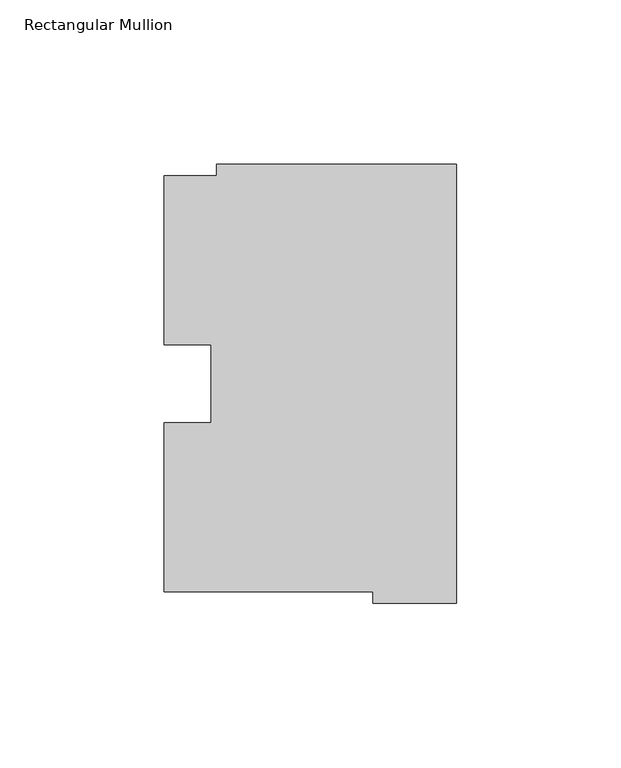
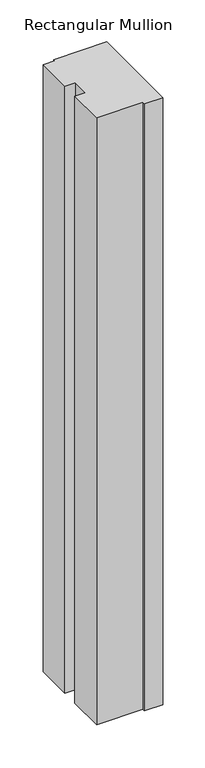
"""IFC4 building model written with IfcOpenShell, lengths in millimetres: member geometry, Rectangular Mullion."""

from ifc_helpers import new_model, si_unit, frame, origin, place, context, project, spatial, polyline, outline, extrude, source, transform, mapped, element, save


def rectangular_mullion_707a2bda(model_context):
    return source(origin(), model_context, "Body", "SweptSolid", [
        extrude(outline(polyline([(-88.8822228, 126.75235), (-72.9776553, 126.75235), (-72.9776553, 130.1706837), (0.0, 130.1706837), (0.0, -3.193538), (-25.3822228, -3.193538), (-25.3822228, 0.26035), (-88.8822228, 0.26035), (-88.8822228, 51.60645), (-74.6074228, 51.60645), (-74.6074228, 75.40625), (-88.8822228, 75.40625), (-88.8822228, 126.75235)])), frame((0.0, 0.0, -882.6497287), z_axis=(0.0, 0.0, 1.0), x_axis=(1.0, 0.0, 0.0)), (0.0, 0.0, 1.0), 882.6497287),
    ])


if __name__ == "__main__":
    model = new_model("IFC4")
    model_context = context("Model", 3, world=origin())
    ifc_project = project(units=[si_unit("LENGTHUNIT", "METRE", prefix="MILLI")], contexts=[model_context])
    site = spatial("IfcSite", under=ifc_project)
    building = spatial("IfcBuilding", under=site)
    placement = place(None, origin())
    rectangular_mullion_shape = rectangular_mullion_707a2bda(model_context)
    element("IfcMember", 1, ObjectType="Rectangular Mullion", at=placement, inside=building, context=model_context, shape_type="MappedRepresentation", body=[
        mapped(rectangular_mullion_shape, transform((0.0, 0.0, 0.0), x_axis=(1.0, 0.0, 0.0), y_axis=(0.0, 1.0, 0.0), z_axis=(0.0, 0.0, 1.0))),
    ])
    save(model, "model.ifc")
